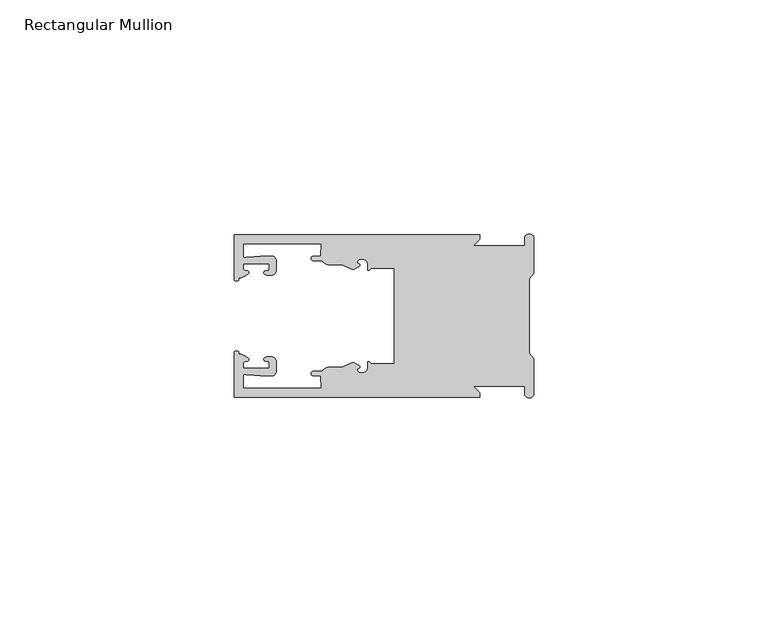
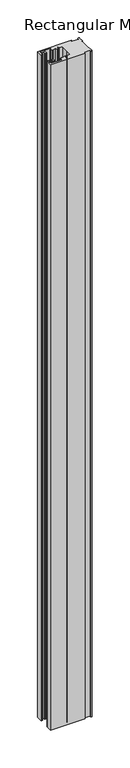
"""IFC4 building model written with IfcOpenShell, lengths in millimetres: member geometry, Rectangular Mullion."""

from ifc_helpers import new_model, si_unit, frame, origin, place, context, project, spatial, polyline, circle_curve, source, transform, mapped, element, save
from ifc_brep_helpers import plane_surface, cylinder_surface, revolved_surface, extruded_surface, spline_curve, advanced_brep


def rectangular_mullion_4e358dad(model_context):
    return source(origin(), model_context, "Body", "AdvancedBrep", [
        advanced_brep(
        [(-11.5387897, 17.4000478, 0.0), (-64.0387868, 17.4000478, 0.0), (-64.0387868, 7.8350057, 0.0), (-63.2884687, 7.5412947, 0.0), (-62.4614154, 8.1921895, 0.0), (-62.0410649, 9.9426451, 0.0), (-62.0424168, 11.1926444, 0.0), (-56.54242, 11.1985924, 0.0), (-56.5410682, 9.9485931, 0.0), (-57.1085345, 8.7314723, 0.0), (-56.0397166, 8.6991345, 0.0), (-55.0407987, 9.7002154, 0.0), (-55.0430697, 11.8002142, 0.0), (-56.0446364, 12.7991315, 0.0), (-58.3650753, 12.7954945, 0.0), (-61.1340054, 12.5502269, 0.0), (-62.044093, 12.7426435, 0.0), (-62.0469668, 15.4000478, 0.0), (-45.4240312, 15.4000478, 0.0), (-45.5732135, 12.8000478, 0.0), (-47.0387868, 12.8000478, 0.0), (-47.0387868, 11.8000478, 0.0), (-45.2543363, 11.8000478, 0.0), (-43.6387868, 10.9000478, 0.0), (-41.0454034, 10.9000478, 0.0), (-38.5697136, 9.8718293, 0.0), (-37.5387868, 10.4670351, 0.0), (-37.6803436, 11.4201497, 0.0), (-37.0270763, 12.1583697, 0.0), (-36.2010815, 12.0127245, 0.0), (-35.54, 11.2248783, 0.0), (-35.54, 10.0, 0.0), (-34.7705791, 10.25, 0.0), (-29.79, 10.25, 0.0), (-29.79, 0.0, 0.0), (-29.79, -10.25, 0.0), (-34.7705791, -10.25, 0.0), (-35.54, -10.0, 0.0), (-35.54, -11.2248783, 0.0), (-36.2010815, -12.0127245, 0.0), (-37.0270763, -12.1583697, 0.0), (-37.6803436, -11.4201497, 0.0), (-37.5387868, -10.4670351, 0.0), (-38.5697136, -9.8718293, 0.0), (-41.0454034, -10.9000478, 0.0), (-43.6387868, -10.9000478, 0.0), (-45.2543363, -11.8000478, 0.0), (-47.0387868, -11.8000478, 0.0), (-47.0387868, -12.8000478, 0.0), (-45.5732135, -12.8000478, 0.0), (-45.4240312, -15.4000478, 0.0), (-62.0469668, -15.4000478, 0.0), (-62.044093, -12.7426435, 0.0), (-61.1340054, -12.5502269, 0.0), (-58.3650753, -12.7954945, 0.0), (-56.0446364, -12.7991314, 0.0), (-55.0430697, -11.8002142, 0.0), (-55.0407987, -9.7002154, 0.0), (-56.0397166, -8.6991345, 0.0), (-57.1085345, -8.7314723, 0.0), (-56.5410682, -9.9485931, 0.0), (-56.54242, -11.1985924, 0.0), (-62.0424168, -11.1926444, 0.0), (-62.0410649, -9.9426451, 0.0), (-62.4614154, -8.1921895, 0.0), (-63.2884687, -7.5412947, 0.0), (-64.0387868, -7.8350057, 0.0), (-64.0387868, -17.4000478, 0.0), (-11.5387897, -17.4000478, 0.0), (-11.5387897, -16.4000449, 0.0), (-12.9388346, -15.0, 0.0), (-2.0, -15.0, 0.0), (-2.0, -16.5, 0.0), (0.0, -16.5, 0.0), (0.0, -9.1160254, 0.0), (-1.0, -7.9613249, 0.0), (-1.0, 0.0, 0.0), (-1.0, 7.9613249, 0.0), (0.0, 9.1160254, 0.0), (0.0, 16.5, 0.0), (-2.0, 16.5, 0.0), (-2.0, 15.0, 0.0), (-12.9388346, 15.0, 0.0), (-11.5387897, 16.4000449, 0.0), (-11.5387897, 17.4000478, -1079.5), (-11.5387897, 16.4000449, -1079.5), (-12.9388346, 15.0, -1079.5), (-2.0, 15.0, -1079.5), (-2.0, 16.5, -1079.5), (0.0, 16.5, -1079.5), (0.0, 9.1160254, -1079.5), (-1.0, 7.9613249, -1079.5), (-1.0, 0.0, -1079.5), (-1.0, -7.9613249, -1079.5), (0.0, -9.1160254, -1079.5), (0.0, -16.5, -1079.5), (-2.0, -16.5, -1079.5), (-2.0, -15.0, -1079.5), (-12.9388346, -15.0, -1079.5), (-11.5387897, -16.4000449, -1079.5), (-11.5387897, -17.4000478, -1079.5), (-64.0387868, -17.4000478, -1079.5), (-64.0387868, -7.8350057, -1079.5), (-63.2884687, -7.5412947, -1079.5), (-62.4614154, -8.1921895, -1079.5), (-62.0410649, -9.9426451, -1079.5), (-62.0424168, -11.1926444, -1079.5), (-56.54242, -11.1985924, -1079.5), (-56.5410682, -9.9485931, -1079.5), (-57.1085345, -8.7314723, -1079.5), (-56.0397166, -8.6991345, -1079.5), (-55.0407987, -9.7002154, -1079.5), (-55.0430697, -11.8002142, -1079.5), (-56.0446364, -12.7991315, -1079.5), (-58.3650753, -12.7954945, -1079.5), (-61.1340054, -12.5502269, -1079.5), (-62.044093, -12.7426435, -1079.5), (-62.0469668, -15.4000478, -1079.5), (-45.4240312, -15.4000478, -1079.5), (-45.5732135, -12.8000478, -1079.5), (-47.0387868, -12.8000478, -1079.5), (-47.0387868, -11.8000478, -1079.5), (-45.2543363, -11.8000478, -1079.5), (-43.6387868, -10.9000478, -1079.5), (-41.0454034, -10.9000478, -1079.5), (-38.5697136, -9.8718293, -1079.5), (-37.5387868, -10.4670351, -1079.5), (-37.6803436, -11.4201497, -1079.5), (-37.0270763, -12.1583697, -1079.5), (-36.2010815, -12.0127245, -1079.5), (-35.54, -11.2248783, -1079.5), (-35.54, -10.0, -1079.5), (-34.7705791, -10.25, -1079.5), (-29.79, -10.25, -1079.5), (-29.79, 0.0, -1079.5), (-29.79, 10.25, -1079.5), (-34.7705791, 10.25, -1079.5), (-35.54, 10.0, -1079.5), (-35.54, 11.2248783, -1079.5), (-36.2010815, 12.0127245, -1079.5), (-37.0270763, 12.1583697, -1079.5), (-37.6803436, 11.4201497, -1079.5), (-37.5387868, 10.4670351, -1079.5), (-38.5697136, 9.8718293, -1079.5), (-41.0454034, 10.9000478, -1079.5), (-43.6387868, 10.9000478, -1079.5), (-45.2543363, 11.8000478, -1079.5), (-47.0387868, 11.8000478, -1079.5), (-47.0387868, 12.8000478, -1079.5), (-45.5732135, 12.8000478, -1079.5), (-45.4240312, 15.4000478, -1079.5), (-62.0469668, 15.4000478, -1079.5), (-62.044093, 12.7426435, -1079.5), (-61.1340054, 12.5502269, -1079.5), (-58.3650753, 12.7954945, -1079.5), (-56.0446364, 12.7991314, -1079.5), (-55.0430697, 11.8002142, -1079.5), (-55.0407987, 9.7002154, -1079.5), (-56.0397166, 8.6991345, -1079.5), (-57.1085345, 8.7314723, -1079.5), (-56.5410682, 9.9485931, -1079.5), (-56.54242, 11.1985924, -1079.5), (-62.0424168, 11.1926444, -1079.5), (-62.0410649, 9.9426451, -1079.5), (-62.4614154, 8.1921895, -1079.5), (-63.2884687, 7.5412947, -1079.5), (-64.0387868, 7.8350057, -1079.5), (-64.0387868, 17.4000478, -1079.5)],
        [
            (0, 1),
            (1, 2),
            (2, 3, spline_curve(3, [(-64.0387868, 7.8350057, 0.0), (-64.038491377, 7.561831774, 0.0), (-63.788385325, 7.463928087, 0.0), (-63.2884687, 7.5412947, 0.0)], [4, 4], [0.0, 0.0019169337574178654])),
            (3, 4, spline_curve(3, [(-63.2884687, 7.5412947, 0.0), (-63.057760917, 7.582232011, 0.0), (-63.018445067, 7.725390894, 0.0), (-63.019925494, 8.056436881, 0.0), (-63.103444208, 8.236386866, 0.0), (-62.4614154, 8.1921895, 0.0)], [4, 2, 4], [0.0, 0.0010199524164107188, 0.0024874514725970356])),
            (4, 5, spline_curve(3, [(-62.4614154, 8.1921895, 0.0), (-60.988497673, 8.880962536, 0.0), (-60.794045122, 9.192776957, 0.0), (-60.949808078, 9.57023562, 0.0), (-61.145214014, 9.682771697, 0.0), (-61.665835706, 9.714019003, 0.0), (-61.965242574, 9.660891484, 0.0), (-62.0410649, 9.9426451, 0.0)], [4, 2, 2, 4], [0.0, 0.003269869179570428, 0.005490050486237203, 0.0073545767114364426])),
            (5, 6),
            (6, 7),
            (7, 8),
            (8, 9, spline_curve(3, [(-56.5410682, 9.9485931, 0.0), (-56.634838635, 9.597117104, 0.0), (-56.904956774, 9.698238818, 0.0), (-57.324171444, 9.731086209, 0.0), (-57.45969165, 9.646199885, 0.0), (-57.729003352, 9.346016011, 0.0), (-57.859492582, 9.113082158, 0.0), (-57.1085345, 8.7314723, 0.0)], [4, 2, 2, 4], [0.0, 0.001593963049934732, 0.0033360256320283306, 0.005339140673503943])),
            (9, 10),
            (10, 11, circle_curve(frame((-56.0407981, 9.699134, 0.0), z_axis=(0.0, 0.0, 1.0), x_axis=(0.0010814451158627505, -0.9999994152380598, 0.0)), 1.0)),
            (11, 12),
            (12, 13, circle_curve(frame((-56.0430691, 11.7991327, 0.0), z_axis=(0.0, 0.0, 1.0), x_axis=(0.0010814451158627505, -0.9999994152380598, 0.0)), 1.0)),
            (13, 14),
            (14, 15),
            (15, 16, spline_curve(3, [(-61.1340054, 12.5502269, 0.0), (-61.605485428, 12.508463911, 0.0), (-61.992111419, 12.303164326, 0.0), (-62.044093, 12.7426435, 0.0)], [4, 4], [0.0, 0.0014803385355886016])),
            (16, 17),
            (17, 18),
            (18, 19),
            (19, 20),
            (20, 21, circle_curve(frame((-47.0387868, 12.3000478, 0.0), z_axis=(0.0, 0.0, 1.0), x_axis=(0.0, -1.0, 0.0)), 0.5)),
            (21, 22),
            (22, 23, circle_curve(frame((-43.6387868, 12.8000478, 0.0), z_axis=(0.0, 0.0, 1.0), x_axis=(0.0, -1.0, 0.0)), 1.9)),
            (23, 24),
            (24, 25),
            (25, 26),
            (26, 27, spline_curve(3, [(-37.5387868, 10.4670351, 0.0), (-36.973919853, 10.833863985, 0.0), (-37.198159645, 11.135696286, 0.0), (-37.587892011, 11.260246073, 0.0), (-37.754584192, 11.180452419, 0.0), (-37.6803436, 11.4201497, 0.0)], [4, 2, 4], [0.0, 0.0019283703160353726, 0.003394584635652914])),
            (27, 28, circle_curve(frame((-37.0434863, 11.5147359, 0.0), z_axis=(0.0, 0.0, -1.0), x_axis=(0.0, -1.0, 0.0)), 0.643843)),
            (28, 29),
            (29, 30, circle_curve(frame((-36.34, 11.2248783, 0.0), z_axis=(0.0, 0.0, -1.0), x_axis=(0.0, -1.0, 0.0)), 0.8)),
            (30, 31),
            (31, 32, spline_curve(3, [(-35.54, 10.0, 0.0), (-35.440000238, 9.598293201, 0.0), (-35.183526594, 9.681626535, 0.0), (-34.7705791, 10.25, 0.0)], [4, 4], [0.0, 0.0027473296990141553])),
            (32, 33),
            (33, 34),
            (34, 35),
            (35, 36),
            (36, 37, spline_curve(3, [(-34.7705791, -10.25, 0.0), (-35.183526594, -9.681626535, 0.0), (-35.440000238, -9.598293201, 0.0), (-35.54, -10.0, 0.0)], [4, 4], [0.0, 0.0027473296990141553])),
            (37, 38),
            (38, 39, circle_curve(frame((-36.34, -11.2248783, 0.0), z_axis=(0.0, 0.0, -1.0), x_axis=(0.0, 1.0, 0.0)), 0.8)),
            (39, 40),
            (40, 41, circle_curve(frame((-37.0434863, -11.5147359, 0.0), z_axis=(0.0, 0.0, -1.0), x_axis=(0.0, 1.0, 0.0)), 0.643843)),
            (41, 42, spline_curve(3, [(-37.6803436, -11.4201497, 0.0), (-37.754584192, -11.180452419, 0.0), (-37.587892011, -11.260246073, 0.0), (-37.198159645, -11.135696286, 0.0), (-36.973919853, -10.833863985, 0.0), (-37.5387868, -10.4670351, 0.0)], [4, 2, 4], [0.0, 0.0014662143196175414, 0.003394584635652914])),
            (42, 43),
            (43, 44),
            (44, 45),
            (45, 46, circle_curve(frame((-43.6387868, -12.8000478, 0.0), z_axis=(0.0, 0.0, 1.0), x_axis=(0.0, 1.0, 0.0)), 1.9)),
            (46, 47),
            (47, 48, circle_curve(frame((-47.0387868, -12.3000478, 0.0), z_axis=(0.0, 0.0, 1.0), x_axis=(0.0, 1.0, 0.0)), 0.5)),
            (48, 49),
            (49, 50),
            (50, 51),
            (51, 52),
            (52, 53, spline_curve(3, [(-62.044093, -12.7426435, 0.0), (-61.992111419, -12.303164326, 0.0), (-61.605485428, -12.508463911, 0.0), (-61.1340054, -12.5502269, 0.0)], [4, 4], [0.0, 0.0014803385355886016])),
            (53, 54),
            (54, 55),
            (55, 56, circle_curve(frame((-56.0430691, -11.7991327, 0.0), z_axis=(0.0, 0.0, 1.0), x_axis=(0.001081445115855867, 0.9999994152380598, 0.0)), 1.0)),
            (56, 57),
            (57, 58, circle_curve(frame((-56.0407981, -9.699134, 0.0), z_axis=(0.0, 0.0, 1.0), x_axis=(0.001081445115855867, 0.9999994152380598, 0.0)), 1.0)),
            (58, 59),
            (59, 60, spline_curve(3, [(-57.1085345, -8.7314723, 0.0), (-57.859492582, -9.113082158, 0.0), (-57.729003352, -9.346016011, 0.0), (-57.45969165, -9.646199885, 0.0), (-57.324171444, -9.731086209, 0.0), (-56.904956774, -9.698238818, 0.0), (-56.634838635, -9.597117104, 0.0), (-56.5410682, -9.9485931, 0.0)], [4, 2, 2, 4], [0.0, 0.002003115041475612, 0.0037451776235692107, 0.005339140673503943])),
            (60, 61),
            (61, 62),
            (62, 63),
            (63, 64, spline_curve(3, [(-62.0410649, -9.9426451, 0.0), (-61.965242574, -9.660891484, 0.0), (-61.665835706, -9.714019003, 0.0), (-61.145214014, -9.682771697, 0.0), (-60.949808078, -9.57023562, 0.0), (-60.794045122, -9.192776957, 0.0), (-60.988497673, -8.880962536, 0.0), (-62.4614154, -8.1921895, 0.0)], [4, 2, 2, 4], [0.0, 0.0018645262251992395, 0.004084707531866015, 0.0073545767114364426])),
            (64, 65, spline_curve(3, [(-62.4614154, -8.1921895, 0.0), (-63.103444208, -8.236386866, 0.0), (-63.019925494, -8.056436881, 0.0), (-63.018445067, -7.725390894, 0.0), (-63.057760917, -7.582232011, 0.0), (-63.2884687, -7.5412947, 0.0)], [4, 2, 4], [0.0, 0.0014674990561863168, 0.0024874514725970356])),
            (65, 66, spline_curve(3, [(-63.2884687, -7.5412947, 0.0), (-63.788385325, -7.463928087, 0.0), (-64.038491377, -7.561831774, 0.0), (-64.0387868, -7.8350057, 0.0)], [4, 4], [0.0, 0.0019169337574178654])),
            (66, 67),
            (67, 68),
            (68, 69),
            (69, 70),
            (70, 71),
            (71, 72),
            (72, 73, circle_curve(frame((-1.0, -16.5, 0.0), z_axis=(0.0, 0.0, 1.0), x_axis=(0.0, 1.0, 0.0)), 1.0)),
            (73, 74),
            (74, 75),
            (75, 76),
            (76, 77),
            (77, 78),
            (78, 79),
            (79, 80, circle_curve(frame((-1.0, 16.5, 0.0), z_axis=(0.0, 0.0, 1.0), x_axis=(0.0, -1.0, 0.0)), 1.0)),
            (80, 81),
            (81, 82),
            (82, 83),
            (83, 0),
            (84, 85),
            (85, 86),
            (86, 87),
            (87, 88),
            (88, 89, circle_curve(frame((-1.0, 16.5, -1079.5), z_axis=(0.0, 0.0, -1.0), x_axis=(0.0, -1.0, 0.0)), 1.0)),
            (89, 90),
            (90, 91),
            (91, 92),
            (92, 93),
            (93, 94),
            (94, 95),
            (95, 96, circle_curve(frame((-1.0, -16.5, -1079.5), z_axis=(0.0, 0.0, -1.0), x_axis=(0.0, 1.0, 0.0)), 1.0)),
            (96, 97),
            (97, 98),
            (98, 99),
            (99, 100),
            (100, 101),
            (101, 102),
            (102, 103, spline_curve(3, [(-64.0387868, -7.8350057, -1079.5), (-64.038491377, -7.561831774, -1079.5), (-63.788385325, -7.463928087, -1079.5), (-63.2884687, -7.5412947, -1079.5)], [4, 4], [0.0, 0.0019169337574178654])),
            (103, 104, spline_curve(3, [(-63.2884687, -7.5412947, -1079.5), (-63.057760917, -7.582232011, -1079.5), (-63.018445067, -7.725390894, -1079.5), (-63.019925494, -8.056436881, -1079.5), (-63.103444208, -8.236386866, -1079.5), (-62.4614154, -8.1921895, -1079.5)], [4, 2, 4], [0.0, 0.0010199524164107188, 0.0024874514725970356])),
            (104, 105, spline_curve(3, [(-62.4614154, -8.1921895, -1079.5), (-60.988497673, -8.880962536, -1079.5), (-60.794045122, -9.192776957, -1079.5), (-60.949808078, -9.57023562, -1079.5), (-61.145214014, -9.682771697, -1079.5), (-61.665835706, -9.714019003, -1079.5), (-61.965242574, -9.660891484, -1079.5), (-62.0410649, -9.9426451, -1079.5)], [4, 2, 2, 4], [0.0, 0.003269869179570428, 0.005490050486237203, 0.0073545767114364426])),
            (105, 106),
            (106, 107),
            (107, 108),
            (108, 109, spline_curve(3, [(-56.5410682, -9.9485931, -1079.5), (-56.634838635, -9.597117104, -1079.5), (-56.904956774, -9.698238818, -1079.5), (-57.324171444, -9.731086209, -1079.5), (-57.45969165, -9.646199885, -1079.5), (-57.729003352, -9.346016011, -1079.5), (-57.859492582, -9.113082158, -1079.5), (-57.1085345, -8.7314723, -1079.5)], [4, 2, 2, 4], [0.0, 0.001593963049934732, 0.0033360256320283306, 0.005339140673503943])),
            (109, 110),
            (110, 111, circle_curve(frame((-56.0407981, -9.699134, -1079.5), z_axis=(0.0, 0.0, -1.0), x_axis=(0.001081445115855867, 0.9999994152380598, 0.0)), 1.0)),
            (111, 112),
            (112, 113, circle_curve(frame((-56.0430691, -11.7991327, -1079.5), z_axis=(0.0, 0.0, -1.0), x_axis=(0.001081445115855867, 0.9999994152380598, 0.0)), 1.0)),
            (113, 114),
            (114, 115),
            (115, 116, spline_curve(3, [(-61.1340054, -12.5502269, -1079.5), (-61.605485428, -12.508463911, -1079.5), (-61.992111419, -12.303164326, -1079.5), (-62.044093, -12.7426435, -1079.5)], [4, 4], [0.0, 0.0014803385355886016])),
            (116, 117),
            (117, 118),
            (118, 119),
            (119, 120),
            (120, 121, circle_curve(frame((-47.0387868, -12.3000478, -1079.5), z_axis=(0.0, 0.0, -1.0), x_axis=(0.0, 1.0, 0.0)), 0.5)),
            (121, 122),
            (122, 123, circle_curve(frame((-43.6387868, -12.8000478, -1079.5), z_axis=(0.0, 0.0, -1.0), x_axis=(0.0, 1.0, 0.0)), 1.9)),
            (123, 124),
            (124, 125),
            (125, 126),
            (126, 127, spline_curve(3, [(-37.5387868, -10.4670351, -1079.5), (-36.973919853, -10.833863985, -1079.5), (-37.198159645, -11.135696286, -1079.5), (-37.587892011, -11.260246073, -1079.5), (-37.754584192, -11.180452419, -1079.5), (-37.6803436, -11.4201497, -1079.5)], [4, 2, 4], [0.0, 0.0019283703160353726, 0.003394584635652914])),
            (127, 128, circle_curve(frame((-37.0434863, -11.5147359, -1079.5), z_axis=(0.0, 0.0, 1.0), x_axis=(0.0, 1.0, 0.0)), 0.643843)),
            (128, 129),
            (129, 130, circle_curve(frame((-36.34, -11.2248783, -1079.5), z_axis=(0.0, 0.0, 1.0), x_axis=(0.0, 1.0, 0.0)), 0.8)),
            (130, 131),
            (131, 132, spline_curve(3, [(-35.54, -10.0, -1079.5), (-35.440000238, -9.598293201, -1079.5), (-35.183526594, -9.681626535, -1079.5), (-34.7705791, -10.25, -1079.5)], [4, 4], [0.0, 0.0027473296990141553])),
            (132, 133),
            (133, 134),
            (134, 135),
            (135, 136),
            (136, 137, spline_curve(3, [(-34.7705791, 10.25, -1079.5), (-35.183526594, 9.681626535, -1079.5), (-35.440000238, 9.598293201, -1079.5), (-35.54, 10.0, -1079.5)], [4, 4], [0.0, 0.0027473296990141553])),
            (137, 138),
            (138, 139, circle_curve(frame((-36.34, 11.2248783, -1079.5), z_axis=(0.0, 0.0, 1.0), x_axis=(0.0, -1.0, 0.0)), 0.8)),
            (139, 140),
            (140, 141, circle_curve(frame((-37.0434863, 11.5147359, -1079.5), z_axis=(0.0, 0.0, 1.0), x_axis=(0.0, -1.0, 0.0)), 0.643843)),
            (141, 142, spline_curve(3, [(-37.6803436, 11.4201497, -1079.5), (-37.754584192, 11.180452419, -1079.5), (-37.587892011, 11.260246073, -1079.5), (-37.198159645, 11.135696286, -1079.5), (-36.973919853, 10.833863985, -1079.5), (-37.5387868, 10.4670351, -1079.5)], [4, 2, 4], [0.0, 0.0014662143196175414, 0.003394584635652914])),
            (142, 143),
            (143, 144),
            (144, 145),
            (145, 146, circle_curve(frame((-43.6387868, 12.8000478, -1079.5), z_axis=(0.0, 0.0, -1.0), x_axis=(0.0, -1.0, 0.0)), 1.9)),
            (146, 147),
            (147, 148, circle_curve(frame((-47.0387868, 12.3000478, -1079.5), z_axis=(0.0, 0.0, -1.0), x_axis=(0.0, -1.0, 0.0)), 0.5)),
            (148, 149),
            (149, 150),
            (150, 151),
            (151, 152),
            (152, 153, spline_curve(3, [(-62.044093, 12.7426435, -1079.5), (-61.992111419, 12.303164326, -1079.5), (-61.605485428, 12.508463911, -1079.5), (-61.1340054, 12.5502269, -1079.5)], [4, 4], [0.0, 0.0014803385355886016])),
            (153, 154),
            (154, 155),
            (155, 156, circle_curve(frame((-56.0430691, 11.7991327, -1079.5), z_axis=(0.0, 0.0, -1.0), x_axis=(0.0010814451158627505, -0.9999994152380598, 0.0)), 1.0)),
            (156, 157),
            (157, 158, circle_curve(frame((-56.0407981, 9.699134, -1079.5), z_axis=(0.0, 0.0, -1.0), x_axis=(0.0010814451158627505, -0.9999994152380598, 0.0)), 1.0)),
            (158, 159),
            (159, 160, spline_curve(3, [(-57.1085345, 8.7314723, -1079.5), (-57.859492582, 9.113082158, -1079.5), (-57.729003352, 9.346016011, -1079.5), (-57.45969165, 9.646199885, -1079.5), (-57.324171444, 9.731086209, -1079.5), (-56.904956774, 9.698238818, -1079.5), (-56.634838635, 9.597117104, -1079.5), (-56.5410682, 9.9485931, -1079.5)], [4, 2, 2, 4], [0.0, 0.002003115041475612, 0.0037451776235692107, 0.005339140673503943])),
            (160, 161),
            (161, 162),
            (162, 163),
            (163, 164, spline_curve(3, [(-62.0410649, 9.9426451, -1079.5), (-61.965242574, 9.660891484, -1079.5), (-61.665835706, 9.714019003, -1079.5), (-61.145214014, 9.682771697, -1079.5), (-60.949808078, 9.57023562, -1079.5), (-60.794045122, 9.192776957, -1079.5), (-60.988497673, 8.880962536, -1079.5), (-62.4614154, 8.1921895, -1079.5)], [4, 2, 2, 4], [0.0, 0.0018645262251992395, 0.004084707531866015, 0.0073545767114364426])),
            (164, 165, spline_curve(3, [(-62.4614154, 8.1921895, -1079.5), (-63.103444208, 8.236386866, -1079.5), (-63.019925494, 8.056436881, -1079.5), (-63.018445067, 7.725390894, -1079.5), (-63.057760917, 7.582232011, -1079.5), (-63.2884687, 7.5412947, -1079.5)], [4, 2, 4], [0.0, 0.0014674990561863168, 0.0024874514725970356])),
            (165, 166, spline_curve(3, [(-63.2884687, 7.5412947, -1079.5), (-63.788385325, 7.463928087, -1079.5), (-64.038491377, 7.561831774, -1079.5), (-64.0387868, 7.8350057, -1079.5)], [4, 4], [0.0, 0.0019169337574178654])),
            (166, 167),
            (167, 84),
            (0, 84),
            (167, 1),
            (166, 2),
            (165, 3),
            (164, 4),
            (163, 5),
            (162, 6),
            (161, 7),
            (160, 8),
            (159, 9),
            (158, 10),
            (157, 11),
            (156, 12),
            (155, 13),
            (154, 14),
            (153, 15),
            (152, 16),
            (151, 17),
            (150, 18),
            (149, 19),
            (148, 20),
            (147, 21),
            (146, 22),
            (145, 23),
            (144, 24),
            (143, 25),
            (142, 26),
            (141, 27),
            (140, 28),
            (139, 29),
            (138, 30),
            (137, 31),
            (136, 32),
            (135, 33),
            (134, 34),
            (133, 35),
            (132, 36),
            (131, 37),
            (130, 38),
            (129, 39),
            (128, 40),
            (127, 41),
            (126, 42),
            (125, 43),
            (124, 44),
            (123, 45),
            (122, 46),
            (121, 47),
            (120, 48),
            (119, 49),
            (118, 50),
            (117, 51),
            (116, 52),
            (115, 53),
            (114, 54),
            (113, 55),
            (112, 56),
            (111, 57),
            (110, 58),
            (109, 59),
            (108, 60),
            (107, 61),
            (106, 62),
            (105, 63),
            (104, 64),
            (103, 65),
            (102, 66),
            (101, 67),
            (100, 68),
            (99, 69),
            (98, 70),
            (97, 71),
            (96, 72),
            (95, 73),
            (94, 74),
            (93, 75),
            (92, 76),
            (91, 77),
            (90, 78),
            (89, 79),
            (88, 80),
            (87, 81),
            (86, 82),
            (85, 83),
        ],
        [
            plane_surface(frame((0.0, -66.3605898, 0.0), z_axis=(0.0, 0.0, 1.0), x_axis=(-1.0, 0.0, 0.0))),
            plane_surface(frame((0.0, -66.3605898, -1079.5), z_axis=(0.0, 0.0, -1.0), x_axis=(-1.0, 0.0, 0.0))),
            plane_surface(frame((-11.5387897, 17.4000478, 0.0), z_axis=(0.0, 1.0, 0.0), x_axis=(0.0, 0.0, -1.0))),
            plane_surface(frame((-64.0387868, 17.4000478, 0.0), z_axis=(-1.0, 0.0, 0.0), x_axis=(0.0, 0.0, -1.0))),
            extruded_surface(spline_curve(3, [(-64.0387868, 7.8350057, -1079.5), (-64.038491377, 7.561831774, -1079.5), (-63.788385325, 7.463928087, -1079.5), (-63.2884687, 7.5412947, -1079.5)], [4, 4], [0.0, 0.0019169337574178654]), (0.0, 0.0, 1079.5), 1079.5),
            extruded_surface(spline_curve(3, [(-63.2884687, 7.5412947, -1079.5), (-63.057760917, 7.582232011, -1079.5), (-63.018445067, 7.725390894, -1079.5), (-63.019925494, 8.056436881, -1079.5), (-63.103444208, 8.236386866, -1079.5), (-62.4614154, 8.1921895, -1079.5)], [4, 2, 4], [0.0, 0.0010199524164107188, 0.0024874514725970356]), (0.0, 0.0, 1079.5), 1079.5),
            extruded_surface(spline_curve(3, [(-62.4614154, 8.1921895, -1079.5), (-60.988497673, 8.880962536, -1079.5), (-60.794045122, 9.192776957, -1079.5), (-60.949808078, 9.57023562, -1079.5), (-61.145214014, 9.682771697, -1079.5), (-61.665835706, 9.714019003, -1079.5), (-61.965242574, 9.660891484, -1079.5), (-62.0410649, 9.9426451, -1079.5)], [4, 2, 2, 4], [0.0, 0.003269869179570428, 0.005490050486237203, 0.0073545767114364426]), (0.0, 0.0, 1079.5), 1079.5),
            plane_surface(frame((-62.0410649, 9.9426451, 0.0), z_axis=(0.9999994152380598, 0.0010814451158593665, 0.0), x_axis=(0.0, 0.0, -1.0))),
            plane_surface(frame((-62.0424168, 11.1926444, 0.0), z_axis=(0.0010814451158611391, -0.9999994152380598, 0.0), x_axis=(0.0, 0.0, -1.0))),
            plane_surface(frame((-56.54242, 11.1985924, 0.0), z_axis=(-0.9999994152380598, -0.0010814451158584516, 0.0), x_axis=(0.0, 0.0, -1.0))),
            extruded_surface(spline_curve(3, [(-56.5410682, 9.9485931, -1079.5), (-56.634838635, 9.597117104, -1079.5), (-56.904956774, 9.698238818, -1079.5), (-57.324171444, 9.731086209, -1079.5), (-57.45969165, 9.646199885, -1079.5), (-57.729003352, 9.346016011, -1079.5), (-57.859492582, 9.113082158, -1079.5), (-57.1085345, 8.7314723, -1079.5)], [4, 2, 2, 4], [0.0, 0.001593963049934732, 0.0033360256320283306, 0.005339140673503943]), (0.0, 0.0, 1079.5), 1079.5),
            plane_surface(frame((-57.1085345, 8.7314723, 0.0), z_axis=(-0.030241832452869922, -0.9995426111826813, 0.0), x_axis=(0.0, 0.0, -1.0))),
            cylinder_surface(frame((-56.0407981, 9.699134, 0.0), z_axis=(0.0, 0.0, 1.0000000000000002), x_axis=(0.0010814451158627505, -0.9999994152380598, 0.0)), 1.0),
            plane_surface(frame((-55.0407987, 9.7002154, 0.0), z_axis=(0.9999994152380598, 0.001081445115858722, 0.0), x_axis=(0.0, 0.0, -1.0))),
            cylinder_surface(frame((-56.0430691, 11.7991327, 0.0), z_axis=(0.0, 0.0, 1.0000000000000002), x_axis=(0.0010814451158627505, -0.9999994152380598, 0.0)), 1.0),
            plane_surface(frame((-56.0446364, 12.7991314, 0.0), z_axis=(-0.0015673183327907744, 0.9999987717558677, 0.0), x_axis=(0.0, 0.0, -1.0))),
            plane_surface(frame((-58.3650753, 12.7954945, 0.0), z_axis=(-0.08823302167299531, 0.9960998614026874, 0.0), x_axis=(0.0, 0.0, -1.0))),
            extruded_surface(spline_curve(3, [(-61.1340054, 12.5502269, -1079.5), (-61.605485428, 12.508463911, -1079.5), (-61.992111419, 12.303164326, -1079.5), (-62.044093, 12.7426435, -1079.5)], [4, 4], [0.0, 0.0014803385355886016]), (0.0, 0.0, 1079.5), 1079.5),
            plane_surface(frame((-62.044093, 12.7426435, 0.0), z_axis=(0.9999994152380598, 0.0010814451158597813, 0.0), x_axis=(0.0, 0.0, -1.0))),
            plane_surface(frame((-62.0469668, 15.4000478, 0.0), z_axis=(0.0, -1.0, 0.0), x_axis=(0.0, 0.0, -1.0))),
            plane_surface(frame((-45.4240312, 15.4000478, 0.0), z_axis=(-0.9983579461523547, 0.05728360458675776, 0.0), x_axis=(0.0, 0.0, -1.0))),
            plane_surface(frame((-45.5732135, 12.8000478, 0.0), z_axis=(0.0, 1.0, 0.0), x_axis=(0.0, 0.0, -1.0))),
            cylinder_surface(frame((-47.0387868, 12.3000478, 0.0), z_axis=(0.0, 0.0, 1.0), x_axis=(0.0, -1.0, 0.0)), 0.5),
            plane_surface(frame((-47.0387868, 11.8000478, 0.0), z_axis=(0.0, -1.0, 0.0), x_axis=(0.0, 0.0, -1.0))),
            cylinder_surface(frame((-43.6387868, 12.8000478, 0.0), z_axis=(0.0, 0.0, 1.0), x_axis=(0.0, -1.0, 0.0)), 1.9),
            plane_surface(frame((-43.6387868, 10.9000478, 0.0), z_axis=(0.0, -1.0, 0.0), x_axis=(0.0, 0.0, -1.0))),
            plane_surface(frame((-41.0454034, 10.9000478, 0.0), z_axis=(-0.3835602140750569, -0.9235158700199453, 0.0), x_axis=(0.0, 0.0, -1.0))),
            plane_surface(frame((-38.5697136, 9.8718293, 0.0), z_axis=(0.5000000000252295, -0.8660254037698725, 0.0), x_axis=(0.0, 0.0, -1.0))),
            extruded_surface(spline_curve(3, [(-37.5387868, 10.4670351, -1079.5), (-36.973919853, 10.833863985, -1079.5), (-37.198159645, 11.135696286, -1079.5), (-37.587892011, 11.260246073, -1079.5), (-37.754584192, 11.180452419, -1079.5), (-37.6803436, 11.4201497, -1079.5)], [4, 2, 4], [0.0, 0.0019283703160353726, 0.003394584635652914]), (0.0, 0.0, 1079.5), 1079.5),
            revolved_surface(polyline([(-37.0434863, 10.8708929, -1079.5), (-37.0434863, 10.8708929, 0.0)]), (-37.0434863, 11.5147359, 0.0), (0.0, 0.0, -1.0)),
            plane_surface(frame((-37.0270763, 12.1583697, 0.0), z_axis=(-0.17364817767050408, -0.984807753011578, 0.0), x_axis=(0.0, 0.0, -1.0))),
            revolved_surface(polyline([(-36.34, 10.4248783, -1079.5), (-36.34, 10.4248783, 0.0)]), (-36.34, 11.2248783, 0.0), (0.0, 0.0, -1.0)),
            plane_surface(frame((-35.54, 11.2248783, 0.0), z_axis=(-1.0, 0.0, 0.0), x_axis=(0.0, 0.0, -1.0))),
            extruded_surface(spline_curve(3, [(-35.54, 10.0, -1079.5), (-35.440000238, 9.598293201, -1079.5), (-35.183526594, 9.681626535, -1079.5), (-34.7705791, 10.25, -1079.5)], [4, 4], [0.0, 0.0027473296990141553]), (0.0, 0.0, 1079.5), 1079.5),
            plane_surface(frame((-34.7705791, 10.25, 0.0), z_axis=(0.0, -1.0, 0.0), x_axis=(0.0, 0.0, -1.0))),
            plane_surface(frame((-29.79, 10.25, 0.0), z_axis=(-1.0, 0.0, 0.0), x_axis=(0.0, 0.0, -1.0))),
            plane_surface(frame((-29.79, 0.0, 0.0), z_axis=(-1.0, 0.0, 0.0), x_axis=(0.0, 0.0, -1.0))),
            plane_surface(frame((-29.79, -10.25, 0.0), z_axis=(0.0, 1.0, 0.0), x_axis=(0.0, 0.0, -1.0))),
            extruded_surface(spline_curve(3, [(-34.7705791, -10.25, -1079.5), (-35.183526594, -9.681626535, -1079.5), (-35.440000238, -9.598293201, -1079.5), (-35.54, -10.0, -1079.5)], [4, 4], [0.0, 0.0027473296990141553]), (0.0, 0.0, 1079.5), 1079.5),
            plane_surface(frame((-35.54, -10.0, 0.0), z_axis=(-1.0, 0.0, 0.0), x_axis=(0.0, 0.0, -1.0))),
            revolved_surface(polyline([(-36.34, -10.4248783, -1079.5), (-36.34, -10.4248783, 0.0)]), (-36.34, -11.2248783, 0.0), (0.0, 0.0, -1.0)),
            plane_surface(frame((-36.2010815, -12.0127245, 0.0), z_axis=(-0.17364817767051083, 0.9848077530115767, 0.0), x_axis=(0.0, 0.0, -1.0))),
            revolved_surface(polyline([(-37.0434863, -10.8708929, -1079.5), (-37.0434863, -10.8708929, 0.0)]), (-37.0434863, -11.5147359, 0.0), (0.0, 0.0, -1.0)),
            extruded_surface(spline_curve(3, [(-37.6803436, -11.4201497, -1079.5), (-37.754584192, -11.180452419, -1079.5), (-37.587892011, -11.260246073, -1079.5), (-37.198159645, -11.135696286, -1079.5), (-36.973919853, -10.833863985, -1079.5), (-37.5387868, -10.4670351, -1079.5)], [4, 2, 4], [0.0, 0.0014662143196175414, 0.003394584635652914]), (0.0, 0.0, 1079.5), 1079.5),
            plane_surface(frame((-37.5387868, -10.4670351, 0.0), z_axis=(0.5000000000252234, 0.8660254037698759, 0.0), x_axis=(0.0, 0.0, -1.0))),
            plane_surface(frame((-38.5697136, -9.8718293, 0.0), z_axis=(-0.38356021407506324, 0.9235158700199426, 0.0), x_axis=(0.0, 0.0, -1.0))),
            plane_surface(frame((-41.0454034, -10.9000478, 0.0), z_axis=(0.0, 1.0, 0.0), x_axis=(0.0, 0.0, -1.0))),
            cylinder_surface(frame((-43.6387868, -12.8000478, 0.0), z_axis=(0.0, 0.0, 1.0), x_axis=(0.0, 1.0, 0.0)), 1.9),
            plane_surface(frame((-45.2543363, -11.8000478, 0.0), z_axis=(0.0, 1.0, 0.0), x_axis=(0.0, 0.0, -1.0))),
            cylinder_surface(frame((-47.0387868, -12.3000478, 0.0), z_axis=(0.0, 0.0, 1.0), x_axis=(0.0, 1.0, 0.0)), 0.5),
            plane_surface(frame((-47.0387868, -12.8000478, 0.0), z_axis=(0.0, -1.0, 0.0), x_axis=(0.0, 0.0, -1.0))),
            plane_surface(frame((-45.5732135, -12.8000478, 0.0), z_axis=(-0.9983579461523543, -0.05728360458676463, 0.0), x_axis=(0.0, 0.0, -1.0))),
            plane_surface(frame((-45.4240312, -15.4000478, 0.0), z_axis=(0.0, 1.0, 0.0), x_axis=(0.0, 0.0, -1.0))),
            plane_surface(frame((-62.0469668, -15.4000478, 0.0), z_axis=(0.9999994152380598, -0.001081445115852898, 0.0), x_axis=(0.0, 0.0, -1.0))),
            extruded_surface(spline_curve(3, [(-62.044093, -12.7426435, -1079.5), (-61.992111419, -12.303164326, -1079.5), (-61.605485428, -12.508463911, -1079.5), (-61.1340054, -12.5502269, -1079.5)], [4, 4], [0.0, 0.0014803385355886016]), (0.0, 0.0, 1079.5), 1079.5),
            plane_surface(frame((-61.1340054, -12.5502269, 0.0), z_axis=(-0.08823302167298844, -0.9960998614026879, 0.0), x_axis=(0.0, 0.0, -1.0))),
            plane_surface(frame((-58.3650753, -12.7954945, 0.0), z_axis=(-0.001567318332783891, -0.9999987717558677, 0.0), x_axis=(0.0, 0.0, -1.0))),
            cylinder_surface(frame((-56.0430691, -11.7991327, 0.0), z_axis=(0.0, 0.0, 1.0000000000000002), x_axis=(0.001081445115855867, 0.9999994152380598, 0.0)), 1.0),
            plane_surface(frame((-55.0430697, -11.8002142, 0.0), z_axis=(0.9999994152380598, -0.0010814451158518386, 0.0), x_axis=(0.0, 0.0, -1.0))),
            cylinder_surface(frame((-56.0407981, -9.699134, 0.0), z_axis=(0.0, 0.0, 1.0000000000000002), x_axis=(0.001081445115855867, 0.9999994152380598, 0.0)), 1.0),
            plane_surface(frame((-56.0397166, -8.6991345, 0.0), z_axis=(-0.030241832452876805, 0.9995426111826811, 0.0), x_axis=(0.0, 0.0, -1.0))),
            extruded_surface(spline_curve(3, [(-57.1085345, -8.7314723, -1079.5), (-57.859492582, -9.113082158, -1079.5), (-57.729003352, -9.346016011, -1079.5), (-57.45969165, -9.646199885, -1079.5), (-57.324171444, -9.731086209, -1079.5), (-56.904956774, -9.698238818, -1079.5), (-56.634838635, -9.597117104, -1079.5), (-56.5410682, -9.9485931, -1079.5)], [4, 2, 2, 4], [0.0, 0.002003115041475612, 0.0037451776235692107, 0.005339140673503943]), (0.0, 0.0, 1079.5), 1079.5),
            plane_surface(frame((-56.5410682, -9.9485931, 0.0), z_axis=(-0.9999994152380598, 0.0010814451158515682, 0.0), x_axis=(0.0, 0.0, -1.0))),
            plane_surface(frame((-56.54242, -11.1985924, 0.0), z_axis=(0.0010814451158542558, 0.9999994152380598, 0.0), x_axis=(0.0, 0.0, -1.0))),
            plane_surface(frame((-62.0424168, -11.1926444, 0.0), z_axis=(0.9999994152380598, -0.001081445115852483, 0.0), x_axis=(0.0, 0.0, -1.0))),
            extruded_surface(spline_curve(3, [(-62.0410649, -9.9426451, -1079.5), (-61.965242574, -9.660891484, -1079.5), (-61.665835706, -9.714019003, -1079.5), (-61.145214014, -9.682771697, -1079.5), (-60.949808078, -9.57023562, -1079.5), (-60.794045122, -9.192776957, -1079.5), (-60.988497673, -8.880962536, -1079.5), (-62.4614154, -8.1921895, -1079.5)], [4, 2, 2, 4], [0.0, 0.0018645262251992395, 0.004084707531866015, 0.0073545767114364426]), (0.0, 0.0, 1079.5), 1079.5),
            extruded_surface(spline_curve(3, [(-62.4614154, -8.1921895, -1079.5), (-63.103444208, -8.236386866, -1079.5), (-63.019925494, -8.056436881, -1079.5), (-63.018445067, -7.725390894, -1079.5), (-63.057760917, -7.582232011, -1079.5), (-63.2884687, -7.5412947, -1079.5)], [4, 2, 4], [0.0, 0.0014674990561863168, 0.0024874514725970356]), (0.0, 0.0, 1079.5), 1079.5),
            extruded_surface(spline_curve(3, [(-63.2884687, -7.5412947, -1079.5), (-63.788385325, -7.463928087, -1079.5), (-64.038491377, -7.561831774, -1079.5), (-64.0387868, -7.8350057, -1079.5)], [4, 4], [0.0, 0.0019169337574178654]), (0.0, 0.0, 1079.5), 1079.5),
            plane_surface(frame((-64.0387868, -7.8350057, 0.0), z_axis=(-1.0, 0.0, 0.0), x_axis=(0.0, 0.0, -1.0))),
            plane_surface(frame((-64.0387868, -17.4000478, 0.0), z_axis=(0.0, -1.0, 0.0), x_axis=(0.0, 0.0, -1.0))),
            plane_surface(frame((-11.5387897, -17.4000478, 0.0), z_axis=(1.0, 0.0, 0.0), x_axis=(0.0, 0.0, -1.0))),
            plane_surface(frame((-11.5387897, -16.4000449, 0.0), z_axis=(0.7071067811865457, 0.7071067811865493, 0.0), x_axis=(0.0, 0.0, -1.0))),
            plane_surface(frame((-12.9388346, -15.0, 0.0), z_axis=(0.0, -1.0, 0.0), x_axis=(0.0, 0.0, -1.0))),
            plane_surface(frame((-2.0, -15.0, 0.0), z_axis=(-1.0, 0.0, 0.0), x_axis=(0.0, 0.0, -1.0))),
            cylinder_surface(frame((-1.0, -16.5, 0.0), z_axis=(0.0, 0.0, 1.0), x_axis=(0.0, 1.0, 0.0)), 1.0),
            plane_surface(frame((0.0, -16.5, 0.0), z_axis=(1.0, 0.0, 0.0), x_axis=(0.0, 0.0, -1.0))),
            plane_surface(frame((0.0, -9.1160254, 0.0), z_axis=(0.7559289460231527, 0.6546536707025522, 0.0), x_axis=(0.0, 0.0, -1.0))),
            plane_surface(frame((-1.0, -7.9613249, 0.0), z_axis=(1.0, 0.0, 0.0), x_axis=(0.0, 0.0, -1.0))),
            plane_surface(frame((-1.0, 0.0, 0.0), z_axis=(1.0, 0.0, 0.0), x_axis=(0.0, 0.0, -1.0))),
            plane_surface(frame((-1.0, 7.9613249, 0.0), z_axis=(0.7559289460231571, -0.654653670702547, 0.0), x_axis=(0.0, 0.0, -1.0))),
            plane_surface(frame((0.0, 9.1160254, 0.0), z_axis=(1.0, 0.0, 0.0), x_axis=(0.0, 0.0, -1.0))),
            cylinder_surface(frame((-1.0, 16.5, 0.0), z_axis=(0.0, 0.0, 1.0), x_axis=(0.0, -1.0, 0.0)), 1.0),
            plane_surface(frame((-2.0, 16.5, 0.0), z_axis=(-1.0, 0.0, 0.0), x_axis=(0.0, 0.0, -1.0))),
            plane_surface(frame((-2.0, 15.0, 0.0), z_axis=(0.0, 1.0, 0.0), x_axis=(0.0, 0.0, -1.0))),
            plane_surface(frame((-12.9388346, 15.0, 0.0), z_axis=(0.7071067811865507, -0.7071067811865446, 0.0), x_axis=(0.0, 0.0, -1.0))),
            plane_surface(frame((-11.5387897, 16.4000449, 0.0), z_axis=(1.0, 0.0, 0.0), x_axis=(0.0, 0.0, -1.0))),
        ],
        [
            (0, [[1, 2, 3, 4, 5, 6, 7, 8, 9, 10, 11, 12, 13, 14, 15, 16, 17, 18, 19, 20, 21, 22, 23, 24, 25, 26, 27, 28, 29, 30, 31, 32, 33, 34, 35, 36, 37, 38, 39, 40, 41, 42, 43, 44, 45, 46, 47, 48, 49, 50, 51, 52, 53, 54, 55, 56, 57, 58, 59, 60, 61, 62, 63, 64, 65, 66, 67, 68, 69, 70, 71, 72, 73, 74, 75, 76, 77, 78, 79, 80, 81, 82, 83, 84]]),
            (1, [[85, 86, 87, 88, 89, 90, 91, 92, 93, 94, 95, 96, 97, 98, 99, 100, 101, 102, 103, 104, 105, 106, 107, 108, 109, 110, 111, 112, 113, 114, 115, 116, 117, 118, 119, 120, 121, 122, 123, 124, 125, 126, 127, 128, 129, 130, 131, 132, 133, 134, 135, 136, 137, 138, 139, 140, 141, 142, 143, 144, 145, 146, 147, 148, 149, 150, 151, 152, 153, 154, 155, 156, 157, 158, 159, 160, 161, 162, 163, 164, 165, 166, 167, 168]]),
            (2, [[-1, 169, -168, 170]]),
            (3, [[-2, -170, -167, 171]]),
            (4, [[-3, -171, -166, 172]]),
            (5, [[-4, -172, -165, 173]]),
            (6, [[-5, -173, -164, 174]]),
            (7, [[-6, -174, -163, 175]]),
            (8, [[-7, -175, -162, 176]]),
            (9, [[-8, -176, -161, 177]]),
            (10, [[-9, -177, -160, 178]]),
            (11, [[-10, -178, -159, 179]]),
            (12, [[-11, -179, -158, 180]]),
            (13, [[-12, -180, -157, 181]]),
            (14, [[-13, -181, -156, 182]]),
            (15, [[-14, -182, -155, 183]]),
            (16, [[-15, -183, -154, 184]]),
            (17, [[-16, -184, -153, 185]]),
            (18, [[-17, -185, -152, 186]]),
            (19, [[-18, -186, -151, 187]]),
            (20, [[-19, -187, -150, 188]]),
            (21, [[-20, -188, -149, 189]]),
            (22, [[-21, -189, -148, 190]]),
            (23, [[-22, -190, -147, 191]]),
            (24, [[-23, -191, -146, 192]]),
            (25, [[-24, -192, -145, 193]]),
            (26, [[-25, -193, -144, 194]]),
            (27, [[-26, -194, -143, 195]]),
            (28, [[-27, -195, -142, 196]]),
            (29, [[-28, -196, -141, 197]]),
            (30, [[-29, -197, -140, 198]]),
            (31, [[-30, -198, -139, 199]]),
            (32, [[-31, -199, -138, 200]]),
            (33, [[-32, -200, -137, 201]]),
            (34, [[-33, -201, -136, 202]]),
            (35, [[-34, -202, -135, 203]]),
            (36, [[-35, -203, -134, 204]]),
            (37, [[-36, -204, -133, 205]]),
            (38, [[-37, -205, -132, 206]]),
            (39, [[-38, -206, -131, 207]]),
            (40, [[-39, -207, -130, 208]]),
            (41, [[-40, -208, -129, 209]]),
            (42, [[-41, -209, -128, 210]]),
            (43, [[-42, -210, -127, 211]]),
            (44, [[-43, -211, -126, 212]]),
            (45, [[-44, -212, -125, 213]]),
            (46, [[-45, -213, -124, 214]]),
            (47, [[-46, -214, -123, 215]]),
            (48, [[-47, -215, -122, 216]]),
            (49, [[-48, -216, -121, 217]]),
            (50, [[-49, -217, -120, 218]]),
            (51, [[-50, -218, -119, 219]]),
            (52, [[-51, -219, -118, 220]]),
            (53, [[-52, -220, -117, 221]]),
            (54, [[-53, -221, -116, 222]]),
            (55, [[-54, -222, -115, 223]]),
            (56, [[-55, -223, -114, 224]]),
            (57, [[-56, -224, -113, 225]]),
            (58, [[-57, -225, -112, 226]]),
            (59, [[-58, -226, -111, 227]]),
            (60, [[-59, -227, -110, 228]]),
            (61, [[-60, -228, -109, 229]]),
            (62, [[-61, -229, -108, 230]]),
            (63, [[-62, -230, -107, 231]]),
            (64, [[-63, -231, -106, 232]]),
            (65, [[-64, -232, -105, 233]]),
            (66, [[-65, -233, -104, 234]]),
            (67, [[-66, -234, -103, 235]]),
            (68, [[-67, -235, -102, 236]]),
            (69, [[-68, -236, -101, 237]]),
            (70, [[-69, -237, -100, 238]]),
            (71, [[-70, -238, -99, 239]]),
            (72, [[-71, -239, -98, 240]]),
            (73, [[-72, -240, -97, 241]]),
            (74, [[-73, -241, -96, 242]]),
            (75, [[-74, -242, -95, 243]]),
            (76, [[-75, -243, -94, 244]]),
            (77, [[-76, -244, -93, 245]]),
            (78, [[-77, -245, -92, 246]]),
            (79, [[-78, -246, -91, 247]]),
            (80, [[-79, -247, -90, 248]]),
            (81, [[-80, -248, -89, 249]]),
            (82, [[-81, -249, -88, 250]]),
            (83, [[-82, -250, -87, 251]]),
            (84, [[-83, -251, -86, 252]]),
            (85, [[-84, -252, -85, -169]]),
        ],
    ),
    ])


if __name__ == "__main__":
    model = new_model("IFC4")
    model_context = context("Model", 3, world=origin())
    ifc_project = project(units=[si_unit("LENGTHUNIT", "METRE", prefix="MILLI")], contexts=[model_context])
    site = spatial("IfcSite", under=ifc_project)
    building = spatial("IfcBuilding", under=site)
    placement = place(None, origin())
    rectangular_mullion_shape = rectangular_mullion_4e358dad(model_context)
    element("IfcMember", 1, ObjectType="Rectangular Mullion", at=placement, inside=building, context=model_context, shape_type="MappedRepresentation", body=[
        mapped(rectangular_mullion_shape, transform((0.0, 0.0, 0.0), x_axis=(1.0, 0.0, 0.0), y_axis=(0.0, 1.0, 0.0), z_axis=(0.0, 0.0, 1.0))),
    ])
    save(model, "model.ifc")
